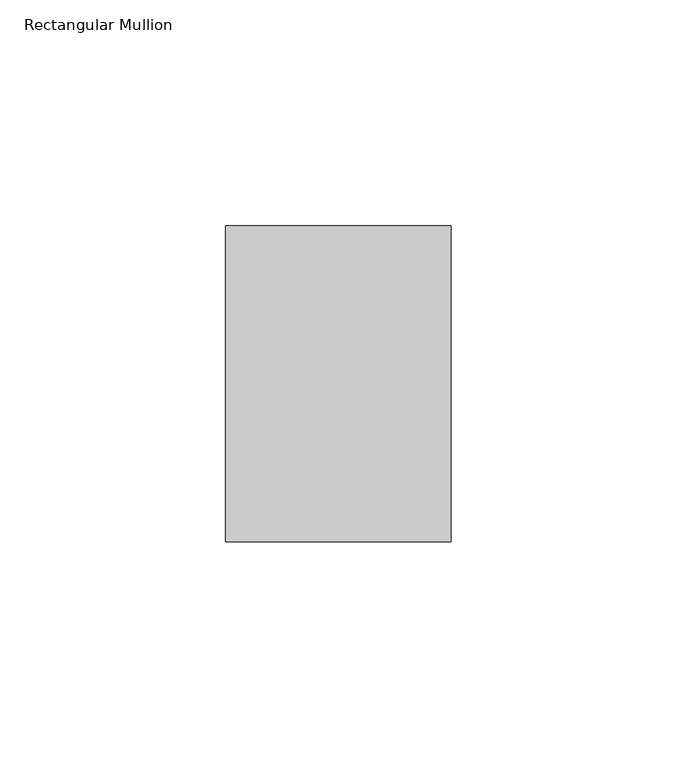
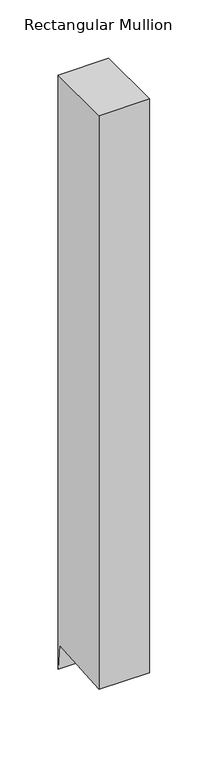
"""IFC4 building model written with IfcOpenShell, lengths in millimetres: member geometry, Rectangular Mullion."""

from ifc_helpers import new_model, si_unit, frame, origin, place, context, project, spatial, polyline, outline, extrude, source, transform, mapped, element, save


def rectangular_mullion_77819512(model_context):
    return source(origin(), model_context, "Body", "SweptSolid", [
        extrude(outline(polyline([(-35.0, 0.0), (35.0, 0.0), (35.0, -621.0318144), (33.0345861, -594.7961711), (-35.0, -599.8929061), (-35.0, 0.0)])), frame((-50.0, 0.0, 0.0), z_axis=(1.0, 0.0, 0.0), x_axis=(0.0, 1.0, 0.0)), (0.0, 0.0, 1.0), 50.0),
    ])


if __name__ == "__main__":
    model = new_model("IFC4")
    model_context = context("Model", 3, world=origin())
    ifc_project = project(units=[si_unit("LENGTHUNIT", "METRE", prefix="MILLI")], contexts=[model_context])
    site = spatial("IfcSite", under=ifc_project)
    building = spatial("IfcBuilding", under=site)
    placement = place(None, origin())
    rectangular_mullion_shape = rectangular_mullion_77819512(model_context)
    element("IfcMember", 1, ObjectType="Rectangular Mullion", at=placement, inside=building, context=model_context, shape_type="MappedRepresentation", body=[
        mapped(rectangular_mullion_shape, transform((0.0, 0.0, 0.0), x_axis=(1.0, 0.0, 0.0), y_axis=(0.0, 1.0, 0.0), z_axis=(0.0, 0.0, 1.0))),
    ])
    save(model, "model.ifc")
